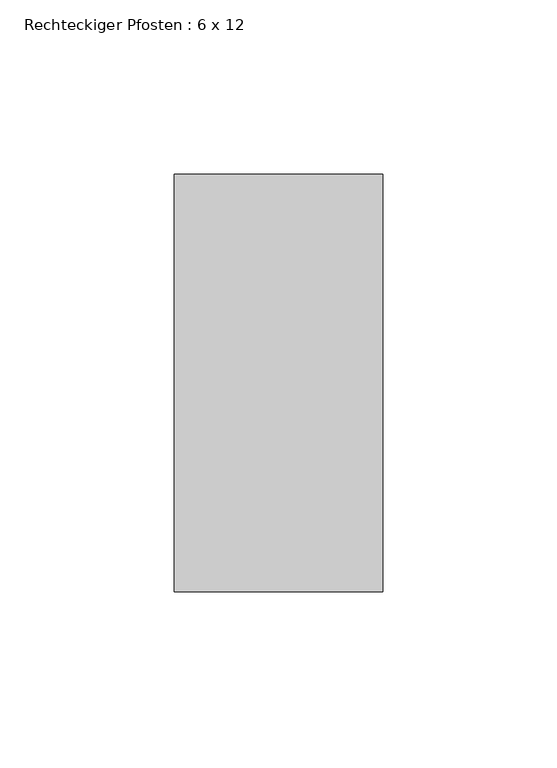
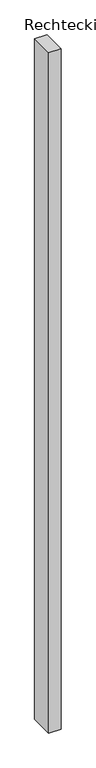
"""IFC4 building model written with IfcOpenShell, lengths in millimetres: member geometry, Rechteckiger Pfosten : 6 x 12."""

from ifc_helpers import new_model, si_unit, frame, origin, place, context, project, spatial, polyline, outline, extrude, source, transform, mapped, element, save


def rechteckiger_pfosten_6_x_12_3562dfe8(model_context):
    return source(origin(), model_context, "Body", "SweptSolid", [
        extrude(outline(polyline([(0.0, 60.0), (0.0, -60.0), (-60.0, -60.0), (-60.0, 60.0), (0.0, 60.0)])), frame((0.0, 0.0, -3548.4911435), z_axis=(0.0, 0.0, 1.0), x_axis=(1.0, 0.0, 0.0)), (0.0, 0.0, 1.0), 3548.4911435),
    ])


if __name__ == "__main__":
    model = new_model("IFC4")
    model_context = context("Model", 3, world=origin())
    ifc_project = project(units=[si_unit("LENGTHUNIT", "METRE", prefix="MILLI")], contexts=[model_context])
    site = spatial("IfcSite", under=ifc_project)
    building = spatial("IfcBuilding", under=site)
    placement = place(None, origin())
    rechteckiger_pfosten_6_x_12_shape = rechteckiger_pfosten_6_x_12_3562dfe8(model_context)
    element("IfcMember", 1, ObjectType="Rechteckiger Pfosten : 6 x 12", at=placement, inside=building, context=model_context, shape_type="MappedRepresentation", body=[
        mapped(rechteckiger_pfosten_6_x_12_shape, transform((0.0, 0.0, 0.0), x_axis=(1.0, 0.0, 0.0), y_axis=(0.0, 1.0, 0.0), z_axis=(0.0, 0.0, 1.0))),
    ])
    save(model, "model.ifc")
